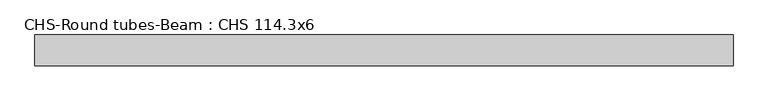
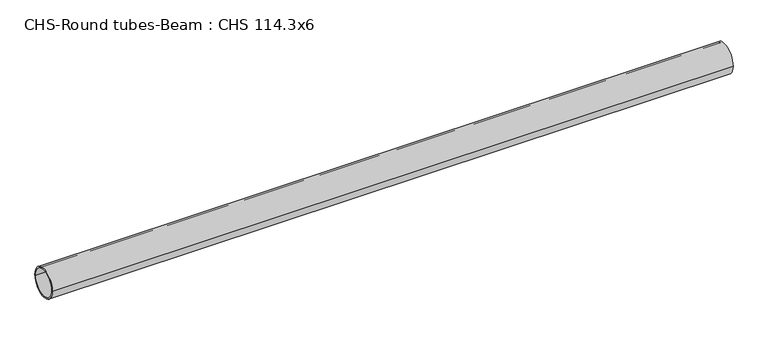
"""IFC4 building model written with IfcOpenShell, lengths in millimetres: beam geometry, CHS-Round tubes-Beam : CHS 114.3x6."""

import ifcopenshell
import ifcopenshell.guid

model = None  # the IFC model being written
_history = None  # IfcOwnerHistory: only IFC2X3 demands one
_inside = {}  # id of a spatial element -> (the spatial element, [elements in it])
_under = {}  # id of a project, library or spatial element -> (it, [spatial elements below it])
_declared = {}  # id of a project -> (the project, [libraries it declares])
_typed = {}  # id of a type object -> (the type object, [elements of that type])
_made_of = {}  # id of a material, layer set ... -> (it, [elements and type objects made of it])


def new_model(schema):
    """Start an empty IFC model of exactly this schema.

    Asked for "IFC4X3", IfcOpenShell would pick the latest addendum, in which some entities
    have other attributes; the version numbers below select the first issue.
    IFC2X3 requires an IfcOwnerHistory on every rooted entity: one is made here for all.
    """
    global model, _history
    if schema == "IFC4X3":
        model = ifcopenshell.file(schema_version=(4, 3, 0, 0))
    else:
        model = ifcopenshell.file(schema=schema)
    _inside.clear()
    _under.clear()
    _declared.clear()
    _typed.clear()
    _made_of.clear()
    _history = None
    if model.schema == "IFC2X3":
        org = make("IfcOrganization", Name="unknown")
        user = make(
            "IfcPersonAndOrganization",
            ThePerson=make("IfcPerson", FamilyName="unknown"),
            TheOrganization=org,
        )
        app = make(
            "IfcApplication",
            ApplicationDeveloper=org,
            Version="unknown",
            ApplicationFullName="unknown",
            ApplicationIdentifier="unknown",
        )
        _history = make(
            "IfcOwnerHistory",
            OwningUser=user,
            OwningApplication=app,
            ChangeAction="ADDED",
            CreationDate=0,
        )
    return model


def make(cls, **values):
    """One entity of the class cls with the attributes given. An attribute that is None is left unset."""
    return model.create_entity(
        cls, **{name: value for name, value in values.items() if value is not None}
    )


def rooted(cls, **values):
    """An entity with a GlobalId (a new one), such as an element, a storey or a relation."""
    return make(cls, GlobalId=ifcopenshell.guid.new(), OwnerHistory=_history, **values)


def si_unit(unit_type, name, prefix=None):
    """IfcSIUnit, for example si_unit("LENGTHUNIT", "METRE", prefix="MILLI")."""
    return make("IfcSIUnit", UnitType=unit_type, Prefix=prefix, Name=name)


def assignment(units):
    """IfcUnitAssignment: the units of a project."""
    return None if units is None else make("IfcUnitAssignment", Units=units)


def point(xyz):
    """IfcCartesianPoint."""
    return None if xyz is None else make("IfcCartesianPoint", Coordinates=xyz)


def direction(xyz):
    """IfcDirection."""
    return None if xyz is None else make("IfcDirection", DirectionRatios=xyz)


def frame(location, z_axis=None, x_axis=None):
    """IfcAxis2Placement3D, a coordinate frame: its origin and axes. An axis left out is left unset."""
    return make(
        "IfcAxis2Placement3D",
        Location=point(location),
        Axis=direction(z_axis),
        RefDirection=direction(x_axis),
    )


def frame_2d(location, x_axis=None):
    """IfcAxis2Placement2D, a coordinate frame in the plane: its origin and x axis."""
    return make(
        "IfcAxis2Placement2D", Location=point(location), RefDirection=direction(x_axis)
    )


def origin():
    """The frame at (0, 0, 0) with its axes left unset."""
    return frame((0.0, 0.0, 0.0))


def origin_2d():
    """The frame at (0, 0) in the plane with its x axis left unset."""
    return frame_2d((0.0, 0.0))


def place(relative_to, where):
    """IfcLocalPlacement: puts the frame where relative to a parent placement (None: the world)."""
    return make(
        "IfcLocalPlacement", PlacementRelTo=relative_to, RelativePlacement=where
    )


def context(
    kind, dimensions, precision=None, world=None, true_north=None, identifier=None
):
    """IfcGeometricRepresentationContext, for example the 3D "Model" context."""
    return make(
        "IfcGeometricRepresentationContext",
        ContextIdentifier=identifier,
        ContextType=kind,
        CoordinateSpaceDimension=dimensions,
        Precision=precision,
        WorldCoordinateSystem=world,
        TrueNorth=true_north,
    )


def project(units=None, contexts=None):
    """IfcProject with its units and contexts."""
    return rooted(
        "IfcProject",
        Name="project",
        RepresentationContexts=contexts,
        UnitsInContext=assignment(units),
    )


def spatial(cls, under=None, at=None, **own):
    """A site, building, storey or space (cls), placed at a placement, below another one or the project."""
    s = rooted(cls, ObjectPlacement=at, **own)
    if under is not None:
        _under.setdefault(under.id(), (under, []))[1].append(s)
    return s


def circle_curve(where, radius):
    """IfcCircle in the frame where."""
    return make("IfcCircle", Position=where, Radius=radius)


def trimmed(basis, trim1, trim2, sense, master):
    """IfcTrimmedCurve: the piece of a basis curve between two trims."""
    return make(
        "IfcTrimmedCurve",
        BasisCurve=basis,
        Trim1=trim1,
        Trim2=trim2,
        SenseAgreement=sense,
        MasterRepresentation=master,
    )


def segment(curve, same_sense, transition):
    """IfcCompositeCurveSegment."""
    return make(
        "IfcCompositeCurveSegment",
        Transition=transition,
        SameSense=same_sense,
        ParentCurve=curve,
    )


def composite_curve(segments, self_intersect=None):
    """IfcCompositeCurve: segments joined end to end."""
    return make("IfcCompositeCurve", Segments=segments, SelfIntersect=self_intersect)


def outline(outer, holes=None, kind="AREA"):
    """IfcArbitraryClosedProfileDef: a profile drawn as a closed curve; with holes, ...WithVoids."""
    if holes is None:
        return make("IfcArbitraryClosedProfileDef", ProfileType=kind, OuterCurve=outer)
    return make(
        "IfcArbitraryProfileDefWithVoids",
        ProfileType=kind,
        OuterCurve=outer,
        InnerCurves=holes,
    )


def extrude(swept, where, along, depth):
    """IfcExtrudedAreaSolid: the profile swept, set in the frame where, extruded along a direction by depth."""
    return make(
        "IfcExtrudedAreaSolid",
        SweptArea=swept,
        Position=where,
        ExtrudedDirection=direction(along),
        Depth=depth,
    )


def shape(context_of_items, identifier, shape_type, items):
    """IfcShapeRepresentation: the items that make up one representation, for example the "Body"."""
    return make(
        "IfcShapeRepresentation",
        ContextOfItems=context_of_items,
        RepresentationIdentifier=identifier,
        RepresentationType=shape_type,
        Items=items,
    )


def source(mapping_origin, context_of_items, identifier, shape_type, items):
    """IfcRepresentationMap: a shape defined once, which mapped items show again and again."""
    return make(
        "IfcRepresentationMap",
        MappingOrigin=mapping_origin,
        MappedRepresentation=shape(context_of_items, identifier, shape_type, items),
    )


def transform(
    local_origin,
    x_axis=None,
    y_axis=None,
    z_axis=None,
    scale=None,
    scale2=None,
    scale3=None,
    uniform=True,
):
    """IfcCartesianTransformationOperator3D, or its non-uniform kind. x_axis, y_axis, z_axis: its Axis1, 2, 3."""
    if uniform:
        return make(
            "IfcCartesianTransformationOperator3D",
            Axis1=direction(x_axis),
            Axis2=direction(y_axis),
            LocalOrigin=point(local_origin),
            Scale=scale,
            Axis3=direction(z_axis),
        )
    return make(
        "IfcCartesianTransformationOperator3DnonUniform",
        Axis1=direction(x_axis),
        Axis2=direction(y_axis),
        LocalOrigin=point(local_origin),
        Scale=scale,
        Axis3=direction(z_axis),
        Scale2=scale2,
        Scale3=scale3,
    )


def mapped(mapping_source, mapping_target):
    """IfcMappedItem: shows the shape of a source again, moved by a transform."""
    return make(
        "IfcMappedItem", MappingSource=mapping_source, MappingTarget=mapping_target
    )


def made_of(thing, what):
    """Note that an element or type object is made of a material, layer set ...; save() writes the relation."""
    if what is not None:
        _made_of.setdefault(what.id(), (what, []))[1].append(thing)
    return thing


def element(
    cls,
    number,
    at=None,
    inside=None,
    cuts=None,
    type_object=None,
    material=None,
    context=None,
    identifier="Body",
    shape_type=None,
    held_by="IfcProductDefinitionShape",
    body=None,
    shapes=None,
    **own,
):
    """One element of the class cls, such as IfcWall. Its Tag is "e" and its number.

    at: its placement. inside: the storey or other place that contains it. cuts: it is an
    opening in that element (IfcRelVoidsElement). A single representation is given by context,
    identifier, shape_type and body (its items); several are given by shapes. held_by: the class
    of the entity that holds the representations. save() writes the other relations.
    """
    e = rooted(cls, Tag="e%d" % number, ObjectPlacement=at, **own)
    if body is not None:
        shapes = [shape(context, identifier, shape_type, body)]
    if shapes is not None:
        e.Representation = make(held_by, Representations=shapes)
    if inside is not None:
        _inside.setdefault(inside.id(), (inside, []))[1].append(e)
    if cuts is not None:
        rooted(
            "IfcRelVoidsElement", RelatingBuildingElement=cuts, RelatedOpeningElement=e
        )
    if type_object is not None:
        _typed.setdefault(type_object.id(), (type_object, []))[1].append(e)
    return made_of(e, material)


def aggregate(whole, parts):
    """IfcRelAggregates: a whole, such as a stair, and the parts it consists of."""
    return rooted("IfcRelAggregates", RelatingObject=whole, RelatedObjects=parts)


def save(model, path):
    """Write the relations noted so far, then the file.

    IfcRelAggregates (storeys below a building ...), IfcRelContainedInSpatialStructure (elements
    in a storey), IfcRelDefinesByType, IfcRelAssociatesMaterial and IfcRelDeclares: one each for
    every whole, place, type object, material and project.
    """
    for whole, parts in _under.values():
        aggregate(whole, parts)
    for where, things in _inside.values():
        rooted(
            "IfcRelContainedInSpatialStructure",
            RelatedElements=things,
            RelatingStructure=where,
        )
    for kind, things in _typed.values():
        rooted("IfcRelDefinesByType", RelatedObjects=things, RelatingType=kind)
    for what, things in _made_of.values():
        rooted("IfcRelAssociatesMaterial", RelatedObjects=things, RelatingMaterial=what)
    for by, libraries in _declared.values():
        rooted("IfcRelDeclares", RelatingContext=by, RelatedDefinitions=libraries)
    model.write(path)


def chs_round_tubes_beam_chs_114_3x6_74e632cd(model_context):
    return source(origin(), model_context, "Body", "SweptSolid", [
        extrude(outline(composite_curve([segment(trimmed(circle_curve(origin_2d(), 57.15), [point((57.15, 0.0))], [point((-57.15, 0.0))], False, "CARTESIAN"), True, "CONTINUOUS"), segment(trimmed(circle_curve(origin_2d(), 57.15), [point((-57.15, 0.0))], [point((57.15, 0.0))], False, "CARTESIAN"), True, "CONTINUOUS")], self_intersect=False), holes=[composite_curve([segment(trimmed(circle_curve(origin_2d(), 51.15), [point((51.15, 0.0))], [point((-51.15, 0.0))], True, "CARTESIAN"), True, "CONTINUOUS"), segment(trimmed(circle_curve(origin_2d(), 51.15), [point((-51.15, 0.0))], [point((51.15, 0.0))], True, "CARTESIAN"), True, "CONTINUOUS")], self_intersect=False)]), frame((-1253.8041353, 0.0, 0.0), z_axis=(1.0, 0.0, 0.0), x_axis=(0.0, 1.0, 0.0)), (0.0, 0.0, 1.0), 2582.4663211),
    ])


if __name__ == "__main__":
    model = new_model("IFC4")
    model_context = context("Model", 3, world=origin())
    ifc_project = project(units=[si_unit("LENGTHUNIT", "METRE", prefix="MILLI")], contexts=[model_context])
    site = spatial("IfcSite", under=ifc_project)
    building = spatial("IfcBuilding", under=site)
    placement = place(None, origin())
    chs_round_tubes_beam_chs_114_3x6_shape = chs_round_tubes_beam_chs_114_3x6_74e632cd(model_context)
    element("IfcBeam", 1, ObjectType="CHS-Round tubes-Beam : CHS 114.3x6", at=placement, inside=building, context=model_context, shape_type="MappedRepresentation", body=[
        mapped(chs_round_tubes_beam_chs_114_3x6_shape, transform((0.0, 0.0, 0.0), x_axis=(1.0, 0.0, 0.0), y_axis=(0.0, 1.0, 0.0), z_axis=(0.0, 0.0, 1.0))),
    ])
    save(model, "model.ifc")
